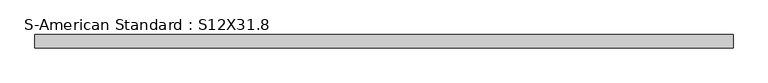
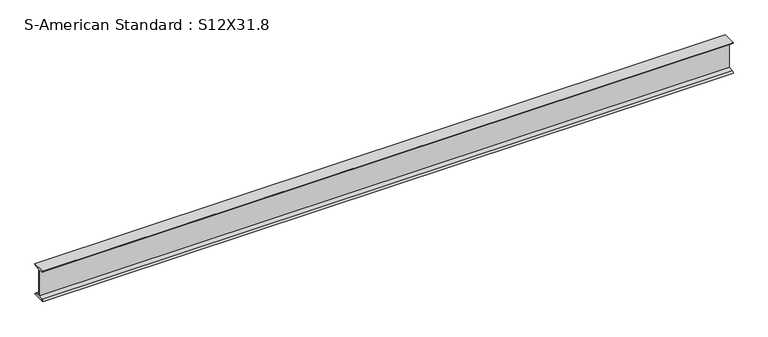
"""IFC4 building model written with IfcOpenShell, lengths in millimetres: beam geometry, S-American Standard : S12X31.8."""

from ifc_helpers import new_model, si_unit, point, frame, frame_2d, origin, place, context, project, spatial, polyline, circle_curve, trimmed, segment, composite_curve, outline, extrude, source, transform, mapped, element, save


def s_american_standard_s12x31_8_b04f5139(model_context):
    return source(origin(), model_context, "Body", "SweptSolid", [
        extrude(outline(composite_curve([segment(polyline([(-63.5, 152.4), (63.5, 152.4)]), True, "CONTINUOUS"), segment(trimmed(circle_curve(frame_2d((49.7, 152.4)), 13.8), [point((63.5, 152.4))], [point((49.7, 138.6))], False, "CARTESIAN"), True, "CONTINUOUS"), segment(polyline([(49.7, 138.6), (4.45, 131.4331041), (4.45, -131.4331041), (49.7, -138.6)]), True, "CONTINUOUS"), segment(trimmed(circle_curve(frame_2d((49.7, -152.4)), 13.8), [point((49.7, -138.6))], [point((63.5, -152.4))], False, "CARTESIAN"), True, "CONTINUOUS"), segment(polyline([(63.5, -152.4), (-63.5, -152.4)]), True, "CONTINUOUS"), segment(trimmed(circle_curve(frame_2d((-49.7, -152.4)), 13.8), [point((-63.5, -152.4))], [point((-49.7, -138.6))], False, "CARTESIAN"), True, "CONTINUOUS"), segment(polyline([(-49.7, -138.6), (-4.45, -131.4331041), (-4.45, 131.4331041), (-49.7, 138.6)]), True, "CONTINUOUS"), segment(trimmed(circle_curve(frame_2d((-49.7, 152.4)), 13.8), [point((-49.7, 138.6))], [point((-63.5, 152.4))], False, "CARTESIAN"), True, "CONTINUOUS")], self_intersect=False)), frame((-2873.3896054, 0.0, 0.0), z_axis=(1.0, 0.0, 0.0), x_axis=(0.0, 1.0, 0.0)), (0.0, 0.0, 1.0), 6545.2577975),
    ])


if __name__ == "__main__":
    model = new_model("IFC4")
    model_context = context("Model", 3, world=origin())
    ifc_project = project(units=[si_unit("LENGTHUNIT", "METRE", prefix="MILLI")], contexts=[model_context])
    site = spatial("IfcSite", under=ifc_project)
    building = spatial("IfcBuilding", under=site)
    placement = place(None, origin())
    s_american_standard_s12x31_8_shape = s_american_standard_s12x31_8_b04f5139(model_context)
    element("IfcBeam", 1, ObjectType="S-American Standard : S12X31.8", at=placement, inside=building, context=model_context, shape_type="MappedRepresentation", body=[
        mapped(s_american_standard_s12x31_8_shape, transform((0.0, 0.0, 0.0), x_axis=(1.0, 0.0, 0.0), y_axis=(0.0, 1.0, 0.0), z_axis=(0.0, 0.0, 1.0))),
    ])
    save(model, "model.ifc")
